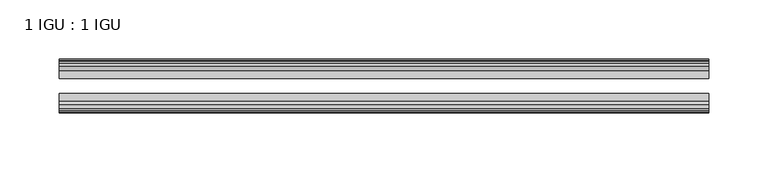
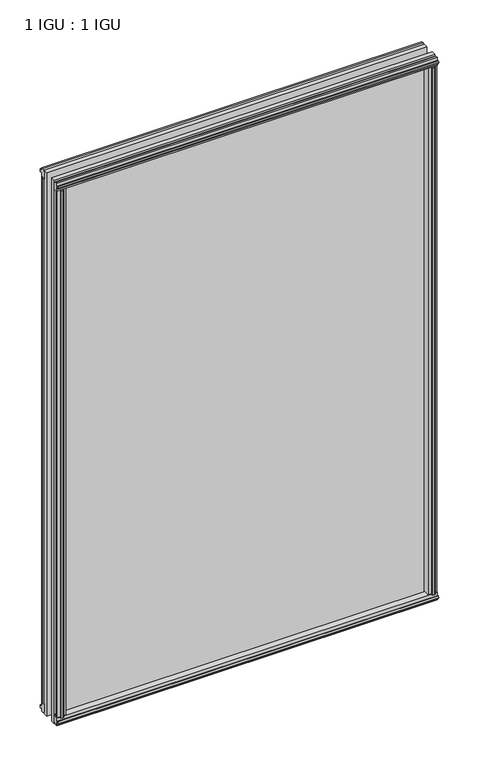
"""IFC4 building model written with IfcOpenShell, lengths in millimetres: plate geometry, 1 IGU : 1 IGU."""

from ifc_helpers import new_model, si_unit, frame, origin, origin_with_axes, place, context, project, spatial, polyline, outline, extrude, source, transform, mapped, element, save


def plate_1_igu_1_igu_283a2401(model_context):
    return source(origin(), model_context, "Body", "SweptSolid", [
        extrude(outline(polyline([(258.7578803, -19.5460937), (260.8631573, -13.1960937), (266.0703517, -13.1960937), (266.4513517, -10.8158968), (265.0358227, -11.27583), (265.0358227, -10.4746158), (267.2133517, -9.7670937), (269.3908808, -10.4746158), (269.3908808, -11.27583), (267.9753517, -10.8158968), (268.3563517, -13.1960937), (272.8013517, -13.1960937), (272.8013517, -16.1419073), (270.5882743, -19.5460937), (258.7578803, -19.5460937)])), origin_with_axes(), (0.0, 0.0, 1.0), 800.1),
        extrude(outline(polyline([(-258.7578803, -19.5460937), (-270.5882743, -19.5460937), (-272.8013517, -16.1419073), (-272.8013517, -13.1960937), (-268.3563517, -13.1960937), (-267.9753517, -10.8158968), (-269.3908808, -11.27583), (-269.3908808, -10.4746158), (-267.2133517, -9.7670937), (-265.0358227, -10.4746158), (-265.0358227, -11.27583), (-266.4513517, -10.8158968), (-266.0703517, -13.1960937), (-260.8631573, -13.1960937), (-258.7578803, -19.5460937)])), origin_with_axes(), (0.0, 0.0, 1.0), 800.1),
        extrude(outline(polyline([(-16.1419073, -12.4576852), (-19.5460937, -10.2446077), (-19.5460937, 1.5857863), (-13.1960937, -0.5194908), (-13.1960937, -5.7266852), (-10.8158968, -6.1076852), (-11.27583, -4.6921562), (-10.4746158, -4.6921562), (-9.7670937, -6.8696852), (-10.4746158, -9.0472143), (-11.27583, -9.0472143), (-10.8158968, -7.6316852), (-13.1960937, -8.0126852), (-13.1960937, -12.4576852), (-16.1419073, -12.4576852)])), frame((-273.0436665, 0.0, 0.0), z_axis=(1.0, 0.0, 0.0), x_axis=(0.0, 1.0, 0.0)), (0.0, 0.0, 1.0), 546.087333),
        extrude(outline(polyline([(-48.3502802, -11.938), (-51.2960937, -11.938), (-51.2960937, -7.493), (-53.6762907, -7.112), (-53.2163575, -8.5275291), (-54.0175717, -8.5275291), (-54.7250937, -6.35), (-54.0175717, -4.172471), (-53.2163575, -4.172471), (-53.6762907, -5.588), (-51.2960937, -5.207), (-51.2960937, 0.0001944), (-44.9460937, 2.1054715), (-44.9460937, -9.7249225), (-48.3502802, -11.938)])), frame((-273.0436665, 0.0, 0.0), z_axis=(1.0, 0.0, 0.0), x_axis=(0.0, 1.0, 0.0)), (0.0, 0.0, 1.0), 546.087333),
        extrude(outline(polyline([(-16.1028367, 812.5576852), (-13.1960937, 812.5576852), (-13.1960937, 808.1126852), (-10.8158968, 807.7316852), (-11.27583, 809.1472143), (-10.4746158, 809.1472143), (-9.7670937, 806.9696852), (-10.4746158, 804.7921562), (-11.27583, 804.7921562), (-10.8158968, 806.2076852), (-13.1960937, 805.8266852), (-13.1960937, 800.5940908), (-19.5460937, 798.4888137), (-19.5460937, 810.3192077), (-16.1028367, 812.5576852)])), frame((-273.0436665, 0.0, 0.0), z_axis=(1.0, 0.0, 0.0), x_axis=(0.0, 1.0, 0.0)), (0.0, 0.0, 1.0), 546.087333),
        extrude(outline(polyline([(-48.3893508, 812.0126), (-44.9460937, 809.7741225), (-44.9460937, 797.9437285), (-51.2960937, 800.0490056), (-51.2960937, 805.2816), (-53.6762907, 805.6626), (-53.2163575, 804.247071), (-54.0175717, 804.247071), (-54.7250938, 806.4246), (-54.0175717, 808.6021291), (-53.2163575, 808.6021291), (-53.6762907, 807.1866), (-51.2960937, 807.5676), (-51.2960937, 812.0126), (-48.3893508, 812.0126)])), frame((-273.0436665, 0.0, 0.0), z_axis=(1.0, 0.0, 0.0), x_axis=(0.0, 1.0, 0.0)), (0.0, 0.0, 1.0), 546.087333),
        extrude(outline(polyline([(-258.238195, -44.9460938), (-260.3434721, -51.2960938), (-265.5506665, -51.2960938), (-265.9316665, -53.6762907), (-264.5161375, -53.2163575), (-264.5161375, -54.0175717), (-266.6936665, -54.7250938), (-268.8711956, -54.0175717), (-268.8711956, -53.2163575), (-267.4556665, -53.6762907), (-267.8366665, -51.2960938), (-272.2816665, -51.2960938), (-272.2816665, -48.3502802), (-270.068589, -44.9460938), (-258.238195, -44.9460938)])), origin_with_axes(), (0.0, 0.0, 1.0), 800.1),
        extrude(outline(polyline([(258.238195, -44.9460938), (270.068589, -44.9460938), (272.2816665, -48.3502802), (272.2816665, -51.2960938), (267.8366665, -51.2960938), (267.4556665, -53.6762907), (268.8711956, -53.2163575), (268.8711956, -54.0175717), (266.6936665, -54.7250938), (264.5161375, -54.0175717), (264.5161375, -53.2163575), (265.9316665, -53.6762907), (265.5506665, -51.2960938), (260.3434721, -51.2960938), (258.238195, -44.9460938)])), origin_with_axes(), (0.0, 0.0, 1.0), 800.1),
        extrude(outline(polyline([(273.0436665, -19.5460937), (273.0436665, -25.8337453), (-273.0436665, -25.8337453), (-273.0436665, -19.5460937), (273.0436665, -19.5460937)])), frame((0.0, 0.0, -12.7), z_axis=(0.0, 0.0, 1.0), x_axis=(1.0, 0.0, 0.0)), (0.0, 0.0, 1.0), 825.4872998),
        extrude(outline(polyline([(-273.0436665, -44.9460937), (-273.0436665, -38.6468938), (273.0436665, -38.6468938), (273.0436665, -44.9460937), (-273.0436665, -44.9460937)])), frame((0.0, 0.0, -12.7), z_axis=(0.0, 0.0, 1.0), x_axis=(1.0, 0.0, 0.0)), (0.0, 0.0, 1.0), 825.4872998),
    ])


if __name__ == "__main__":
    model = new_model("IFC4")
    model_context = context("Model", 3, world=origin())
    ifc_project = project(units=[si_unit("LENGTHUNIT", "METRE", prefix="MILLI")], contexts=[model_context])
    site = spatial("IfcSite", under=ifc_project)
    building = spatial("IfcBuilding", under=site)
    placement = place(None, origin())
    plate_1_igu_1_igu_shape = plate_1_igu_1_igu_283a2401(model_context)
    element("IfcPlate", 1, ObjectType="1 IGU : 1 IGU", at=placement, inside=building, context=model_context, shape_type="MappedRepresentation", body=[
        mapped(plate_1_igu_1_igu_shape, transform((0.0, 0.0, 0.0), x_axis=(1.0, 0.0, 0.0), y_axis=(0.0, 1.0, 0.0), z_axis=(0.0, 0.0, 1.0))),
    ])
    save(model, "model.ifc")
